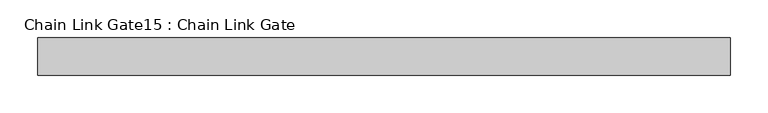
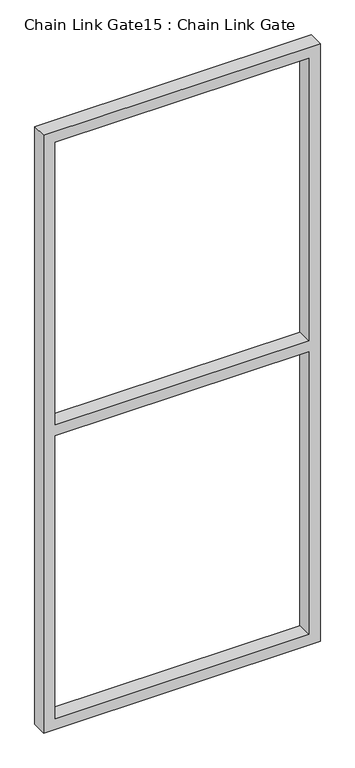
"""IFC4 building model written with IfcOpenShell, lengths in millimetres: proxy geometry, Chain Link Gate15 : Chain Link Gate."""

from ifc_helpers import new_model, si_unit, frame, origin, place, context, project, spatial, polyline, outline, extrude, source, transform, mapped, element, save


def chain_link_gate15_chain_link_gate_1ed00a19(model_context):
    return source(origin(), model_context, "Body", "SweptSolid", [
        extrude(outline(polyline([(2120.9, -27486.3493371), (2120.9, -28410.2743371), (12.7, -28410.2743371), (12.7, -27486.3493371), (2120.9, -27486.3493371)]), holes=[polyline([(2082.8, -27524.4493371), (1085.85, -27524.4493371), (1085.85, -28372.1743371), (2082.8, -28372.1743371), (2082.8, -27524.4493371)]), polyline([(1047.75, -28372.1743371), (1047.75, -27524.4493371), (50.8, -27524.4493371), (50.8, -28372.1743371), (1047.75, -28372.1743371)])]), frame((0.0, -3998.1978765, 0.0), z_axis=(0.0, 1.0, 0.0), x_axis=(0.0, 0.0, 1.0)), (0.0, 0.0, 1.0), 50.1314753),
    ])


if __name__ == "__main__":
    model = new_model("IFC4")
    model_context = context("Model", 3, world=origin())
    ifc_project = project(units=[si_unit("LENGTHUNIT", "METRE", prefix="MILLI")], contexts=[model_context])
    site = spatial("IfcSite", under=ifc_project)
    building = spatial("IfcBuilding", under=site)
    placement = place(None, origin())
    chain_link_gate15_chain_link_gate_shape = chain_link_gate15_chain_link_gate_1ed00a19(model_context)
    element("IfcBuildingElementProxy", 1, Name="Chain Link Gate15 : Chain Link Gate", ObjectType="Chain Link Gate15 : Chain Link Gate", at=placement, inside=building, context=model_context, shape_type="MappedRepresentation", body=[
        mapped(chain_link_gate15_chain_link_gate_shape, transform((0.0, 0.0, 0.0), x_axis=(1.0, 0.0, 0.0), y_axis=(0.0, 1.0, 0.0), z_axis=(0.0, 0.0, 1.0))),
    ])
    save(model, "model.ifc")
